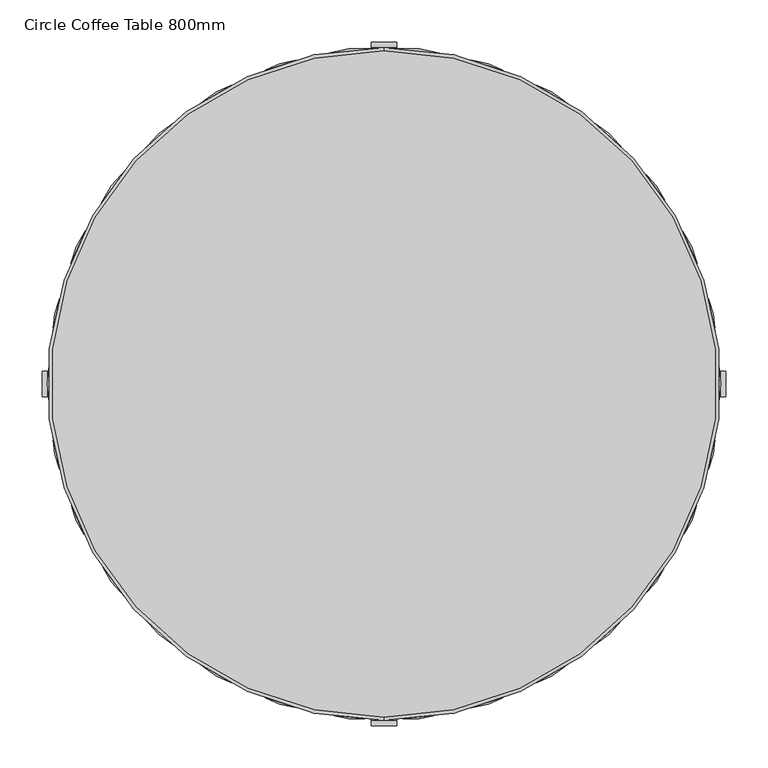
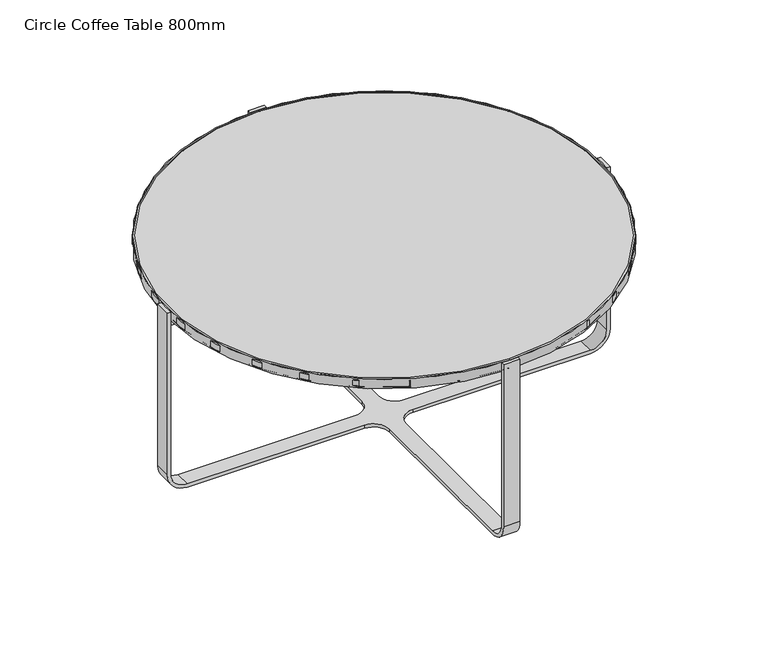
"""IFC4 building model written with IfcOpenShell, lengths in millimetres: furniture geometry, Circle Coffee Table 800mm."""

from ifc_helpers import new_model, si_unit, point, frame, origin, place, context, project, spatial, polyline, circle_curve, ellipse_curve, trimmed, outline, extrude, source, transform, mapped, element, save
from ifc_brep_helpers import plane_surface, cylinder_surface, revolved_surface, advanced_brep


def circle_coffee_table_800mm_69ac53ae(model_context):
    return source(origin(), model_context, "Body", "SolidModel", [
        extrude(outline(polyline([(2.5000109, -399.9992), (-2.5000109, -399.9992), (-2.5000109, -2.4999473), (-399.9992, -2.4999473), (-399.9992, 2.5000382), (-2.5000109, 2.5000382), (-2.5000109, 399.9992), (2.5000109, 399.9992), (2.5000109, 2.5000382), (399.9992, 2.5000382), (399.9992, -2.4999473), (2.5000109, -2.4999473), (2.5000109, -399.9992)])), frame((0.0, 0.0, 314.0000023), z_axis=(0.0, 0.0, 1.0), x_axis=(1.0, 0.0, 0.0)), (0.0, 0.0, 1.0), 17.9999961),
        advanced_brep(
        [(-399.9992, 0.0, 349.999989), (399.9992, 0.0, 349.999989), (0.0, -399.8131523, 349.999989), (0.0, 399.8131523, 349.999989), (-399.9992, 0.0, 331.9999976), (399.9992, 0.0, 331.9999976), (0.0, 399.8131523, 331.9999976), (0.0, -399.8131523, 331.9999976)],
        [
            (0, 1, circle_curve(frame((0.0, 0.0, 349.999989), z_axis=(0.0, 0.0, 1.0), x_axis=(1.0, 0.0, 0.0)), 399.9992)),
            (1, 0, circle_curve(frame((0.0, 0.0, 349.999989), z_axis=(0.0, 0.0, 1.0), x_axis=(1.0, 0.0, 0.0)), 399.9992)),
            (2, 3, circle_curve(frame((0.0, 0.0, 349.999989), z_axis=(0.0, 0.0, -1.0), x_axis=(0.0, 1.0, 0.0)), 399.8131523)),
            (3, 2, circle_curve(frame((0.0, 0.0, 349.999989), z_axis=(0.0, 0.0, -1.0), x_axis=(0.0, 1.0, 0.0)), 399.8131523)),
            (4, 5, circle_curve(frame((0.0, 0.0, 331.9999976), z_axis=(0.0, 0.0, -1.0), x_axis=(1.0, 0.0, 0.0)), 399.9992)),
            (5, 4, circle_curve(frame((0.0, 0.0, 331.9999976), z_axis=(0.0, 0.0, -1.0), x_axis=(1.0, 0.0, 0.0)), 399.9992)),
            (6, 7, circle_curve(frame((0.0, 0.0, 331.9999976), z_axis=(0.0, 0.0, 1.0), x_axis=(0.0, 1.0, 0.0)), 399.8131523)),
            (7, 6, circle_curve(frame((0.0, 0.0, 331.9999976), z_axis=(0.0, 0.0, 1.0), x_axis=(0.0, 1.0, 0.0)), 399.8131523)),
            (0, 4),
            (5, 1),
            (2, 7),
            (6, 3),
        ],
        [
            plane_surface(frame((399.9992, 0.0, 349.999989), z_axis=(0.0, 0.0, 1.0), x_axis=(0.0, 1.0, 0.0))),
            plane_surface(frame((399.9992, 0.0, 331.9999976), z_axis=(0.0, 0.0, -1.0), x_axis=(0.0, -1.0, 0.0))),
            cylinder_surface(frame((0.0, 0.0, 331.9999976), z_axis=(0.0, 0.0, 1.0), x_axis=(1.0, 0.0, 0.0)), 399.9992),
            revolved_surface(polyline([(0.0, 399.8131523, 349.999989), (0.0, 399.8131523, 331.9999976)]), (0.0, 0.0, 445.8056276), (0.0, 0.0, 1.0)),
        ],
        [
            (0, [[1, 2], [3, 4]]),
            (1, [[5, 6], [7, 8]]),
            (2, [[-1, 9, -6, 10]]),
            (2, [[-2, -10, -5, -9]]),
            (3, [[11, -7, 12, -3]]),
            (3, [[-11, -4, -12, -8]]),
        ],
    ),
        advanced_brep(
        [(0.0, 395.7652901, 349.999989), (0.0, -395.7652901, 349.999989), (0.0, -395.7652901, 331.9999976), (0.0, 395.7652901, 331.9999976), (0.0, -399.5480291, 335.7827366), (0.0, -399.5480291, 346.21725), (0.0, 399.5480291, 346.21725), (0.0, 399.5480291, 335.7827366)],
        [
            (0, 1, circle_curve(frame((0.0, 0.0, 349.999989), z_axis=(0.0, 0.0, 1.0), x_axis=(0.0, 1.0, 0.0)), 395.7652901)),
            (1, 0, circle_curve(frame((0.0, 0.0, 349.999989), z_axis=(0.0, 0.0, 1.0), x_axis=(0.0, 1.0, 0.0)), 395.7652901)),
            (2, 3, circle_curve(frame((0.0, 0.0, 331.9999976), z_axis=(0.0, 0.0, -1.0), x_axis=(0.0, 1.0, 0.0)), 395.7652901)),
            (3, 2, circle_curve(frame((0.0, 0.0, 331.9999976), z_axis=(0.0, 0.0, -1.0), x_axis=(0.0, 1.0, 0.0)), 395.7652901)),
            (4, 5),
            (5, 6, circle_curve(frame((0.0, 0.0, 346.21725), z_axis=(0.0, 0.0, -1.0), x_axis=(0.0, 1.0, 0.0)), 399.5480291)),
            (6, 7),
            (7, 4, circle_curve(frame((0.0, 0.0, 335.7827366), z_axis=(0.0, 0.0, 1.0), x_axis=(0.0, 1.0, 0.0)), 399.5480291)),
            (4, 7, circle_curve(frame((0.0, 0.0, 335.7827366), z_axis=(0.0, 0.0, 1.0), x_axis=(0.0, 1.0, 0.0)), 399.5480291)),
            (6, 5, circle_curve(frame((0.0, 0.0, 346.21725), z_axis=(0.0, 0.0, -1.0), x_axis=(0.0, 1.0, 0.0)), 399.5480291)),
            (7, 3, circle_curve(frame((0.0, 395.7652901, 335.7827366), z_axis=(-1.0, 0.0, 0.0), x_axis=(0.0, 1.0, 0.0)), 3.782739)),
            (2, 4, circle_curve(frame((0.0, -395.7652901, 335.7827366), z_axis=(-1.0, 0.0, 0.0), x_axis=(0.0, -1.0, 0.0)), 3.782739)),
            (5, 1, circle_curve(frame((0.0, -395.7652901, 346.21725), z_axis=(-1.0, 0.0, 0.0), x_axis=(0.0, -1.0, 0.0)), 3.782739)),
            (0, 6, circle_curve(frame((0.0, 395.7652901, 346.21725), z_axis=(-1.0, 0.0, 0.0), x_axis=(0.0, 1.0, 0.0)), 3.782739)),
        ],
        [
            plane_surface(frame((399.9992, 0.0, 349.999989), z_axis=(0.0, 0.0, 1.0), x_axis=(0.0, 1.0, 0.0))),
            plane_surface(frame((399.9992, 0.0, 331.9999976), z_axis=(0.0, 0.0, -1.0), x_axis=(0.0, -1.0, 0.0))),
            cylinder_surface(frame((0.0, 0.0, 445.8056276), z_axis=(0.0, 0.0, 1.0), x_axis=(0.0, 1.0, 0.0)), 399.5480291),
            revolved_surface(trimmed(ellipse_curve(frame((0.0, 395.7652901, 335.7827366), z_axis=(1.0, 0.0, 0.0), x_axis=(0.0, 1.0, 0.0)), 3.782739, 3.782739), [point((0.0, 395.7652901, 331.9999976))], [point((0.0, 399.5480291, 335.7827366))], True, "CARTESIAN"), (0.0, 0.0, 445.8056276), (0.0, 0.0, 1.0)),
            revolved_surface(trimmed(ellipse_curve(frame((0.0, 395.7652901, 346.21725), z_axis=(1.0, 0.0, 0.0), x_axis=(0.0, 1.0, 0.0)), 3.782739, 3.782739), [point((0.0, 399.5480291, 346.21725))], [point((0.0, 395.7652901, 349.999989))], True, "CARTESIAN"), (0.0, 0.0, 445.8056276), (0.0, 0.0, 1.0)),
        ],
        [
            (0, [[1, 2]]),
            (1, [[3, 4]]),
            (2, [[5, 6, 7, 8]]),
            (2, [[-5, 9, -7, 10]]),
            (3, [[-8, 11, -3, 12]]),
            (3, [[-9, -12, -4, -11]]),
            (4, [[-6, 13, -1, 14]]),
            (4, [[-10, -14, -2, -13]]),
        ],
    ),
        advanced_brep(
        [(15.0000019, 369.9992126, 0.0), (15.0000019, 405.9992, 35.9999874), (15.0000019, 405.9992, 349.999989), (15.0000019, 399.9992, 349.999989), (15.0000019, 399.9992, 35.9999817), (15.0000019, 369.9992018, 5.9999835), (15.0000019, 44.9791081, 5.999979), (15.0000019, 44.9377207, 0.0), (15.0000019, -405.9992, 35.9999874), (15.0000019, -369.9992126, 0.0), (15.0000019, -44.9857785, 0.0), (15.0000019, -45.0621672, 5.999979), (15.0000019, -369.9992018, 5.9999835), (15.0000019, -399.9992, 35.9999817), (15.0000019, -399.9992, 349.999989), (15.0000019, -405.9992, 349.999989), (-15.0000019, -405.9992, 35.9999874), (-15.0000019, -405.9992, 349.999989), (-15.0000019, -399.9992, 349.999989), (-15.0000019, -399.9992, 35.9999817), (-15.0000019, -369.9992018, 5.9999835), (-15.0000019, -44.9857785, 5.999979), (-15.0000019, -44.9377207, 0.0), (-15.0000019, -369.9992126, 0.0), (-15.0000019, 369.9992018, 5.9999835), (-15.0000019, 399.9992, 35.9999817), (-15.0000019, 399.9992, 349.999989), (-15.0000019, 405.9992, 349.999989), (-15.0000019, 405.9992, 35.9999874), (-15.0000019, 369.9992126, 0.0), (-15.0000019, 44.9791081, 0.0), (-15.0000019, 45.0621672, 5.999979), (-405.9992, -15.0000061, 35.9999874), (-369.9992126, -15.0000061, 0.0), (-44.9708234, -15.0000061, 0.0), (-45.0915448, -15.0000061, 5.999979), (-369.9992018, -15.0000061, 5.9999835), (-399.9992, -15.0000061, 35.9999817), (-399.9992, -15.0000061, 349.999989), (-405.9992, -15.0000061, 349.999989), (369.9992163, -15.0000061, 0.0), (405.9992, -15.0000061, 35.9999837), (405.9992, -15.0000061, 349.999989), (399.9992, -15.0000061, 349.999989), (399.9992, -15.0000061, 35.999978), (369.9992055, -15.0000061, 5.9999835), (44.9708382, -15.0000061, 5.999979), (44.9084849, -15.0000061, 0.0), (-405.9992, 14.9999978, 35.9999874), (-405.9992, 14.9999978, 349.999989), (-399.9992, 14.9999978, 349.999989), (-399.9992, 14.9999978, 35.9999817), (-369.9992018, 14.9999978, 5.9999835), (-44.9610082, 14.9999978, 5.999979), (-44.9112577, 14.9999978, 0.0), (-369.9992126, 14.9999978, 0.0), (369.9992055, 14.9999978, 5.9999835), (399.9992, 14.9999978, 35.999978), (399.9992, 14.9999978, 349.999989), (405.9992, 14.9999978, 349.999989), (405.9992, 14.9999978, 35.9999837), (369.9992163, 14.9999978, 0.0), (44.9610204, 14.9999978, 0.0), (45.0887721, 14.9999978, 5.999979)],
        [
            (0, 1, circle_curve(frame((15.0000019, 369.9992126, 35.9999874), z_axis=(1.0, 0.0, 0.0), x_axis=(0.0, 1.0, 0.0)), 35.9999874)),
            (1, 2),
            (2, 3),
            (3, 4),
            (4, 5, circle_curve(frame((15.0000019, 369.9992018, 35.9999817), z_axis=(-1.0, 0.0, 0.0), x_axis=(0.0, 1.0, 0.0)), 29.9999982)),
            (5, 6),
            (6, 7),
            (7, 0),
            (8, 9, circle_curve(frame((15.0000019, -369.9992126, 35.9999874), z_axis=(1.0, 0.0, 0.0), x_axis=(0.0, 1.0, 0.0)), 35.9999874)),
            (9, 10),
            (10, 11),
            (11, 12),
            (12, 13, circle_curve(frame((15.0000019, -369.9992018, 35.9999817), z_axis=(-1.0, 0.0, 0.0), x_axis=(0.0, 1.0, 0.0)), 29.9999982)),
            (13, 14),
            (14, 15),
            (15, 8),
            (16, 17),
            (17, 18),
            (18, 19),
            (19, 20, circle_curve(frame((-15.0000019, -369.9992018, 35.9999817), z_axis=(1.0, 0.0, 0.0), x_axis=(0.0, 1.0, 0.0)), 29.9999982)),
            (20, 21),
            (21, 22),
            (22, 23),
            (23, 16, circle_curve(frame((-15.0000019, -369.9992126, 35.9999874), z_axis=(-1.0, 0.0, 0.0), x_axis=(0.0, 1.0, 0.0)), 35.9999874)),
            (24, 25, circle_curve(frame((-15.0000019, 369.9992018, 35.9999817), z_axis=(1.0, 0.0, 0.0), x_axis=(0.0, 1.0, 0.0)), 29.9999982)),
            (25, 26),
            (26, 27),
            (27, 28),
            (28, 29, circle_curve(frame((-15.0000019, 369.9992126, 35.9999874), z_axis=(-1.0, 0.0, 0.0), x_axis=(0.0, 1.0, 0.0)), 35.9999874)),
            (29, 30),
            (30, 31),
            (31, 24),
            (0, 29),
            (28, 1),
            (27, 2),
            (26, 3),
            (25, 4),
            (24, 5),
            (13, 19),
            (18, 14),
            (17, 15),
            (16, 8),
            (32, 33, circle_curve(frame((-369.9992126, -15.0000061, 35.9999874), z_axis=(0.0, -1.0, 0.0), x_axis=(1.0, 0.0, 0.0)), 35.9999874)),
            (33, 34),
            (34, 35),
            (35, 36),
            (36, 37, circle_curve(frame((-369.9992018, -15.0000061, 35.9999817), z_axis=(0.0, 1.0, 0.0), x_axis=(1.0, 0.0, 0.0)), 29.9999982)),
            (37, 38),
            (38, 39),
            (39, 32),
            (40, 41, circle_curve(frame((369.9992163, -15.0000061, 35.9999837), z_axis=(0.0, -1.0, 0.0), x_axis=(1.0, 0.0, 0.0)), 35.9999837)),
            (41, 42),
            (42, 43),
            (43, 44),
            (44, 45, circle_curve(frame((369.9992055, -15.0000061, 35.999978), z_axis=(0.0, 1.0, 0.0), x_axis=(1.0, 0.0, 0.0)), 29.9999945)),
            (45, 46),
            (46, 47),
            (47, 40),
            (48, 49),
            (49, 50),
            (50, 51),
            (51, 52, circle_curve(frame((-369.9992018, 14.9999978, 35.9999817), z_axis=(0.0, -1.0, 0.0), x_axis=(1.0, 0.0, 0.0)), 29.9999982)),
            (52, 53),
            (53, 54),
            (54, 55),
            (55, 48, circle_curve(frame((-369.9992126, 14.9999978, 35.9999874), z_axis=(0.0, 1.0, 0.0), x_axis=(1.0, 0.0, 0.0)), 35.9999874)),
            (56, 57, circle_curve(frame((369.9992055, 14.9999978, 35.999978), z_axis=(0.0, -1.0, 0.0), x_axis=(1.0, 0.0, 0.0)), 29.9999945)),
            (57, 58),
            (58, 59),
            (59, 60),
            (60, 61, circle_curve(frame((369.9992163, 14.9999978, 35.9999837), z_axis=(0.0, 1.0, 0.0), x_axis=(1.0, 0.0, 0.0)), 35.9999837)),
            (61, 62),
            (62, 63),
            (63, 56),
            (32, 48),
            (55, 33),
            (41, 60),
            (59, 42),
            (58, 43),
            (57, 44),
            (36, 52),
            (51, 37),
            (50, 38),
            (49, 39),
            (11, 46, circle_curve(frame((45.0000149, -44.9999439, 5.999979), z_axis=(0.0, 0.0, -1.0), x_axis=(1.0, 0.0, 0.0)), 30.0000775)),
            (45, 56),
            (63, 6, circle_curve(frame((45.0000149, 44.9999439, 5.999979), z_axis=(0.0, 0.0, -1.0), x_axis=(1.0, 0.0, 0.0)), 30.0000775)),
            (31, 53, circle_curve(frame((-45.0000149, 44.9999439, 5.999979), z_axis=(0.0, 0.0, -1.0), x_axis=(-1.0, 0.0, 0.0)), 30.0000775)),
            (35, 21, circle_curve(frame((-45.0000149, -44.9999439, 5.999979), z_axis=(0.0, 0.0, -1.0), x_axis=(-1.0, 0.0, 0.0)), 30.0000775)),
            (20, 12),
            (47, 10, circle_curve(frame((45.0000149, -44.9999439, 0.0), z_axis=(0.0, 0.0, 1.0), x_axis=(1.0, 0.0, 0.0)), 30.0000775)),
            (9, 23),
            (22, 34, circle_curve(frame((-45.0000149, -44.9999439, 0.0), z_axis=(0.0, 0.0, 1.0), x_axis=(-1.0, 0.0, 0.0)), 30.0000775)),
            (54, 30, circle_curve(frame((-45.0000149, 44.9999439, 0.0), z_axis=(0.0, 0.0, 1.0), x_axis=(-1.0, 0.0, 0.0)), 30.0000775)),
            (7, 62, circle_curve(frame((45.0000149, 44.9999439, 0.0), z_axis=(0.0, 0.0, 1.0), x_axis=(1.0, 0.0, 0.0)), 30.0000775)),
            (61, 40),
        ],
        [
            plane_surface(frame((15.0000019, -333.9992252, 35.9999874), z_axis=(1.0, 0.0, 0.0), x_axis=(0.0, 0.0, 1.0))),
            plane_surface(frame((-15.0000019, -333.9992252, 35.9999874), z_axis=(-1.0, 0.0, 0.0), x_axis=(0.0, 0.0, -1.0))),
            cylinder_surface(frame((-15.0000019, 369.9992126, 35.9999874), z_axis=(1.0, 0.0, 0.0), x_axis=(0.0, 1.0, 0.0)), 35.9999874),
            plane_surface(frame((15.0000019, 405.9992, 35.9999874), z_axis=(0.0, 1.0, 0.0), x_axis=(-1.0, 0.0, 0.0))),
            plane_surface(frame((15.0000019, 405.9992, 349.999989), z_axis=(0.0, 0.0, 1.0), x_axis=(-1.0, 0.0, 0.0))),
            plane_surface(frame((15.0000019, 399.9992, 349.999989), z_axis=(0.0, -1.0, 0.0), x_axis=(-1.0, 0.0, 0.0))),
            revolved_surface(polyline([(-15.0000019, 399.9992, 35.9999817), (15.0000019, 399.9992, 35.9999817)]), (-15.0000019, 369.9992018, 35.9999817), (-1.0, 0.0, 0.0)),
            plane_surface(frame((15.0000019, -399.9992, 35.9999817), z_axis=(0.0, 1.0, 0.0), x_axis=(-1.0, 0.0, 0.0))),
            plane_surface(frame((15.0000019, -399.9992, 349.999989), z_axis=(0.0, 0.0, 1.0), x_axis=(-1.0, 0.0, 0.0))),
            plane_surface(frame((15.0000019, -405.9992, 349.999989), z_axis=(0.0, -1.0, 0.0), x_axis=(-1.0, 0.0, 0.0))),
            plane_surface(frame((-333.9992252, -15.0000061, 35.9999874), z_axis=(0.0, -1.0, 0.0), x_axis=(0.0, 0.0, 1.0))),
            plane_surface(frame((-333.9992252, 14.9999978, 35.9999874), z_axis=(0.0, 1.0, 0.0), x_axis=(0.0, 0.0, -1.0))),
            cylinder_surface(frame((-369.9992126, 14.9999978, 35.9999874), z_axis=(0.0, -1.0, 0.0), x_axis=(1.0, 0.0, 0.0)), 35.9999874),
            plane_surface(frame((405.9992, -15.0000061, 35.9999837), z_axis=(1.0, 0.0, 0.0), x_axis=(0.0, 1.0, 0.0))),
            plane_surface(frame((405.9992, -15.0000061, 349.999989), z_axis=(0.0, 0.0, 1.0), x_axis=(0.0, 1.0, 0.0))),
            plane_surface(frame((399.9992, -15.0000061, 349.999989), z_axis=(-1.0, 0.0, 0.0), x_axis=(0.0, 1.0, 0.0))),
            revolved_surface(polyline([(-339.9992036, 14.9999978, 35.9999817), (-339.9992036, -15.0000061, 35.9999817)]), (-369.9992018, 14.9999978, 35.9999817), (0.0, 1.0, 0.0)),
            plane_surface(frame((-399.9992, -15.0000061, 35.9999817), z_axis=(1.0, 0.0, 0.0), x_axis=(0.0, 1.0, 0.0))),
            plane_surface(frame((-399.9992, -15.0000061, 349.999989), z_axis=(0.0, 0.0, 1.0), x_axis=(0.0, 1.0, 0.0))),
            plane_surface(frame((-405.9992, -15.0000061, 349.999989), z_axis=(-1.0, 0.0, 0.0), x_axis=(0.0, 1.0, 0.0))),
            plane_surface(frame((-15.0000019, 45.0000561, 5.999979), z_axis=(0.0, 0.0, 1.0), x_axis=(-1.0, 0.0, 0.0))),
            plane_surface(frame((-15.0000019, 45.0000561, 0.0), z_axis=(0.0, 0.0, -1.0), x_axis=(1.0, 0.0, 0.0))),
            revolved_surface(polyline([(75.0000924, -44.9999439, 5.999979), (75.0000924, -44.9999439, 0.0)]), (45.0000149, -44.9999439, -16.4787736), (0.0, 0.0, 1.0)),
            revolved_surface(polyline([(75.0000924, 44.9999439, 5.999979), (75.0000924, 44.9999439, 0.0)]), (45.0000149, 44.9999439, -16.4787736), (0.0, 0.0, 1.0)),
            revolved_surface(polyline([(-75.0000924, 44.9999439, 5.999979), (-75.0000924, 44.9999439, 0.0)]), (-45.0000149, 44.9999439, -16.4787736), (0.0, 0.0, 1.0)),
            revolved_surface(polyline([(-75.0000924, -44.9999439, 5.999979), (-75.0000924, -44.9999439, 0.0)]), (-45.0000149, -44.9999439, -16.4787736), (0.0, 0.0, 1.0)),
            cylinder_surface(frame((369.9992163, 14.9999978, 35.9999837), z_axis=(0.0, -1.0, 0.0), x_axis=(1.0, 0.0, 0.0)), 35.9999837),
            revolved_surface(polyline([(399.99920000000003, 14.9999978, 35.999978), (399.99920000000003, -15.0000061, 35.999978)]), (369.9992055, 14.9999978, 35.999978), (0.0, 1.0, 0.0)),
            cylinder_surface(frame((-15.0000019, -369.9992126, 35.9999874), z_axis=(1.0, 0.0, 0.0), x_axis=(0.0, 1.0, 0.0)), 35.9999874),
            revolved_surface(polyline([(-15.0000019, -339.9992036, 35.9999817), (15.0000019, -339.9992036, 35.9999817)]), (-15.0000019, -369.9992018, 35.9999817), (-1.0, 0.0, 0.0)),
        ],
        [
            (0, [[1, 2, 3, 4, 5, 6, 7, 8]]),
            (0, [[9, 10, 11, 12, 13, 14, 15, 16]]),
            (1, [[17, 18, 19, 20, 21, 22, 23, 24]]),
            (1, [[25, 26, 27, 28, 29, 30, 31, 32]]),
            (2, [[-1, 33, -29, 34]]),
            (3, [[-2, -34, -28, 35]]),
            (4, [[-3, -35, -27, 36]]),
            (5, [[-4, -36, -26, 37]]),
            (6, [[-5, -37, -25, 38]]),
            (7, [[-14, 39, -19, 40]]),
            (8, [[-15, -40, -18, 41]]),
            (9, [[-16, -41, -17, 42]]),
            (10, [[43, 44, 45, 46, 47, 48, 49, 50]]),
            (10, [[51, 52, 53, 54, 55, 56, 57, 58]]),
            (11, [[59, 60, 61, 62, 63, 64, 65, 66]]),
            (11, [[67, 68, 69, 70, 71, 72, 73, 74]]),
            (12, [[-43, 75, -66, 76]]),
            (13, [[-52, 77, -70, 78]]),
            (14, [[-53, -78, -69, 79]]),
            (15, [[-54, -79, -68, 80]]),
            (16, [[-47, 81, -62, 82]]),
            (17, [[-48, -82, -61, 83]]),
            (18, [[-49, -83, -60, 84]]),
            (19, [[-50, -84, -59, -75]]),
            (20, [[85, -56, 86, -74, 87, -6, -38, -32, 88, -63, -81, -46, 89, -21, 90, -12]]),
            (21, [[91, -10, 92, -23, 93, -44, -76, -65, 94, -30, -33, -8, 95, -72, 96, -58]]),
            (22, [[-85, -11, -91, -57]]),
            (23, [[-87, -73, -95, -7]]),
            (24, [[-88, -31, -94, -64]]),
            (25, [[-89, -45, -93, -22]]),
            (26, [[-51, -96, -71, -77]]),
            (27, [[-55, -80, -67, -86]]),
            (28, [[-9, -42, -24, -92]]),
            (29, [[-13, -90, -20, -39]]),
        ],
    ),
    ])


if __name__ == "__main__":
    model = new_model("IFC4")
    model_context = context("Model", 3, world=origin())
    ifc_project = project(units=[si_unit("LENGTHUNIT", "METRE", prefix="MILLI")], contexts=[model_context])
    site = spatial("IfcSite", under=ifc_project)
    building = spatial("IfcBuilding", under=site)
    placement = place(None, origin())
    circle_coffee_table_800mm_shape = circle_coffee_table_800mm_69ac53ae(model_context)
    element("IfcFurniture", 1, ObjectType="Circle Coffee Table 800mm", at=placement, inside=building, context=model_context, shape_type="MappedRepresentation", body=[
        mapped(circle_coffee_table_800mm_shape, transform((0.0, 0.0, 0.0), x_axis=(1.0, 0.0, 0.0), y_axis=(0.0, 1.0, 0.0), z_axis=(0.0, 0.0, 1.0))),
    ])
    save(model, "model.ifc")
